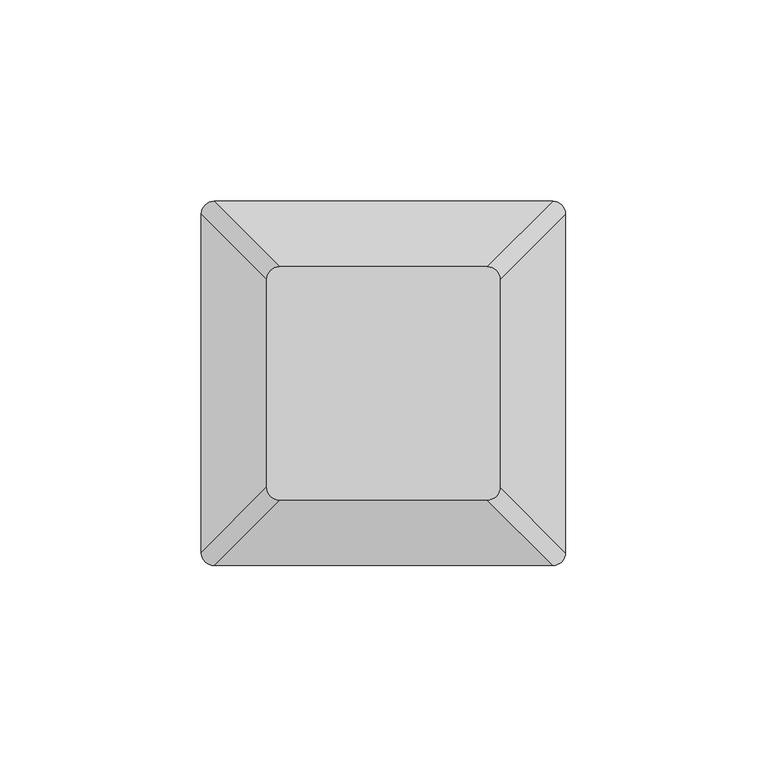
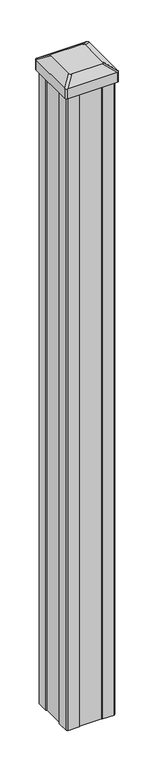
"""IFC4 building model written with IfcOpenShell, lengths in millimetres: railing geometry."""

import ifcopenshell
import ifcopenshell.guid

model = None  # the IFC model being written
_history = None  # IfcOwnerHistory: only IFC2X3 demands one
_inside = {}  # id of a spatial element -> (the spatial element, [elements in it])
_under = {}  # id of a project, library or spatial element -> (it, [spatial elements below it])
_declared = {}  # id of a project -> (the project, [libraries it declares])
_typed = {}  # id of a type object -> (the type object, [elements of that type])
_made_of = {}  # id of a material, layer set ... -> (it, [elements and type objects made of it])


def new_model(schema):
    """Start an empty IFC model of exactly this schema.

    Asked for "IFC4X3", IfcOpenShell would pick the latest addendum, in which some entities
    have other attributes; the version numbers below select the first issue.
    IFC2X3 requires an IfcOwnerHistory on every rooted entity: one is made here for all.
    """
    global model, _history
    if schema == "IFC4X3":
        model = ifcopenshell.file(schema_version=(4, 3, 0, 0))
    else:
        model = ifcopenshell.file(schema=schema)
    _inside.clear()
    _under.clear()
    _declared.clear()
    _typed.clear()
    _made_of.clear()
    _history = None
    if model.schema == "IFC2X3":
        org = make("IfcOrganization", Name="unknown")
        user = make(
            "IfcPersonAndOrganization",
            ThePerson=make("IfcPerson", FamilyName="unknown"),
            TheOrganization=org,
        )
        app = make(
            "IfcApplication",
            ApplicationDeveloper=org,
            Version="unknown",
            ApplicationFullName="unknown",
            ApplicationIdentifier="unknown",
        )
        _history = make(
            "IfcOwnerHistory",
            OwningUser=user,
            OwningApplication=app,
            ChangeAction="ADDED",
            CreationDate=0,
        )
    return model


def make(cls, **values):
    """One entity of the class cls with the attributes given. An attribute that is None is left unset."""
    return model.create_entity(
        cls, **{name: value for name, value in values.items() if value is not None}
    )


def rooted(cls, **values):
    """An entity with a GlobalId (a new one), such as an element, a storey or a relation."""
    return make(cls, GlobalId=ifcopenshell.guid.new(), OwnerHistory=_history, **values)


def si_unit(unit_type, name, prefix=None):
    """IfcSIUnit, for example si_unit("LENGTHUNIT", "METRE", prefix="MILLI")."""
    return make("IfcSIUnit", UnitType=unit_type, Prefix=prefix, Name=name)


def assignment(units):
    """IfcUnitAssignment: the units of a project."""
    return None if units is None else make("IfcUnitAssignment", Units=units)


def point(xyz):
    """IfcCartesianPoint."""
    return None if xyz is None else make("IfcCartesianPoint", Coordinates=xyz)


def direction(xyz):
    """IfcDirection."""
    return None if xyz is None else make("IfcDirection", DirectionRatios=xyz)


def frame(location, z_axis=None, x_axis=None):
    """IfcAxis2Placement3D, a coordinate frame: its origin and axes. An axis left out is left unset."""
    return make(
        "IfcAxis2Placement3D",
        Location=point(location),
        Axis=direction(z_axis),
        RefDirection=direction(x_axis),
    )


def frame_2d(location, x_axis=None):
    """IfcAxis2Placement2D, a coordinate frame in the plane: its origin and x axis."""
    return make(
        "IfcAxis2Placement2D", Location=point(location), RefDirection=direction(x_axis)
    )


def origin():
    """The frame at (0, 0, 0) with its axes left unset."""
    return frame((0.0, 0.0, 0.0))


def origin_with_axes():
    """The frame at (0, 0, 0) with the z axis (0, 0, 1) and the x axis (1, 0, 0) written out."""
    return frame((0.0, 0.0, 0.0), z_axis=(0.0, 0.0, 1.0), x_axis=(1.0, 0.0, 0.0))


def place(relative_to, where):
    """IfcLocalPlacement: puts the frame where relative to a parent placement (None: the world)."""
    return make(
        "IfcLocalPlacement", PlacementRelTo=relative_to, RelativePlacement=where
    )


def context(
    kind, dimensions, precision=None, world=None, true_north=None, identifier=None
):
    """IfcGeometricRepresentationContext, for example the 3D "Model" context."""
    return make(
        "IfcGeometricRepresentationContext",
        ContextIdentifier=identifier,
        ContextType=kind,
        CoordinateSpaceDimension=dimensions,
        Precision=precision,
        WorldCoordinateSystem=world,
        TrueNorth=true_north,
    )


def project(units=None, contexts=None):
    """IfcProject with its units and contexts."""
    return rooted(
        "IfcProject",
        Name="project",
        RepresentationContexts=contexts,
        UnitsInContext=assignment(units),
    )


def spatial(cls, under=None, at=None, **own):
    """A site, building, storey or space (cls), placed at a placement, below another one or the project."""
    s = rooted(cls, ObjectPlacement=at, **own)
    if under is not None:
        _under.setdefault(under.id(), (under, []))[1].append(s)
    return s


def polyline(points):
    """IfcPolyline through the points."""
    return make("IfcPolyline", Points=[point(p) for p in points])


def circle_curve(where, radius):
    """IfcCircle in the frame where."""
    return make("IfcCircle", Position=where, Radius=radius)


def trimmed(basis, trim1, trim2, sense, master):
    """IfcTrimmedCurve: the piece of a basis curve between two trims."""
    return make(
        "IfcTrimmedCurve",
        BasisCurve=basis,
        Trim1=trim1,
        Trim2=trim2,
        SenseAgreement=sense,
        MasterRepresentation=master,
    )


def segment(curve, same_sense, transition):
    """IfcCompositeCurveSegment."""
    return make(
        "IfcCompositeCurveSegment",
        Transition=transition,
        SameSense=same_sense,
        ParentCurve=curve,
    )


def composite_curve(segments, self_intersect=None):
    """IfcCompositeCurve: segments joined end to end."""
    return make("IfcCompositeCurve", Segments=segments, SelfIntersect=self_intersect)


def outline(outer, holes=None, kind="AREA"):
    """IfcArbitraryClosedProfileDef: a profile drawn as a closed curve; with holes, ...WithVoids."""
    if holes is None:
        return make("IfcArbitraryClosedProfileDef", ProfileType=kind, OuterCurve=outer)
    return make(
        "IfcArbitraryProfileDefWithVoids",
        ProfileType=kind,
        OuterCurve=outer,
        InnerCurves=holes,
    )


def extrude(swept, where, along, depth):
    """IfcExtrudedAreaSolid: the profile swept, set in the frame where, extruded along a direction by depth."""
    return make(
        "IfcExtrudedAreaSolid",
        SweptArea=swept,
        Position=where,
        ExtrudedDirection=direction(along),
        Depth=depth,
    )


def shape(context_of_items, identifier, shape_type, items):
    """IfcShapeRepresentation: the items that make up one representation, for example the "Body"."""
    return make(
        "IfcShapeRepresentation",
        ContextOfItems=context_of_items,
        RepresentationIdentifier=identifier,
        RepresentationType=shape_type,
        Items=items,
    )


def source(mapping_origin, context_of_items, identifier, shape_type, items):
    """IfcRepresentationMap: a shape defined once, which mapped items show again and again."""
    return make(
        "IfcRepresentationMap",
        MappingOrigin=mapping_origin,
        MappedRepresentation=shape(context_of_items, identifier, shape_type, items),
    )


def transform(
    local_origin,
    x_axis=None,
    y_axis=None,
    z_axis=None,
    scale=None,
    scale2=None,
    scale3=None,
    uniform=True,
):
    """IfcCartesianTransformationOperator3D, or its non-uniform kind. x_axis, y_axis, z_axis: its Axis1, 2, 3."""
    if uniform:
        return make(
            "IfcCartesianTransformationOperator3D",
            Axis1=direction(x_axis),
            Axis2=direction(y_axis),
            LocalOrigin=point(local_origin),
            Scale=scale,
            Axis3=direction(z_axis),
        )
    return make(
        "IfcCartesianTransformationOperator3DnonUniform",
        Axis1=direction(x_axis),
        Axis2=direction(y_axis),
        LocalOrigin=point(local_origin),
        Scale=scale,
        Axis3=direction(z_axis),
        Scale2=scale2,
        Scale3=scale3,
    )


def mapped(mapping_source, mapping_target):
    """IfcMappedItem: shows the shape of a source again, moved by a transform."""
    return make(
        "IfcMappedItem", MappingSource=mapping_source, MappingTarget=mapping_target
    )


def made_of(thing, what):
    """Note that an element or type object is made of a material, layer set ...; save() writes the relation."""
    if what is not None:
        _made_of.setdefault(what.id(), (what, []))[1].append(thing)
    return thing


def element(
    cls,
    number,
    at=None,
    inside=None,
    cuts=None,
    type_object=None,
    material=None,
    context=None,
    identifier="Body",
    shape_type=None,
    held_by="IfcProductDefinitionShape",
    body=None,
    shapes=None,
    **own,
):
    """One element of the class cls, such as IfcWall. Its Tag is "e" and its number.

    at: its placement. inside: the storey or other place that contains it. cuts: it is an
    opening in that element (IfcRelVoidsElement). A single representation is given by context,
    identifier, shape_type and body (its items); several are given by shapes. held_by: the class
    of the entity that holds the representations. save() writes the other relations.
    """
    e = rooted(cls, Tag="e%d" % number, ObjectPlacement=at, **own)
    if body is not None:
        shapes = [shape(context, identifier, shape_type, body)]
    if shapes is not None:
        e.Representation = make(held_by, Representations=shapes)
    if inside is not None:
        _inside.setdefault(inside.id(), (inside, []))[1].append(e)
    if cuts is not None:
        rooted(
            "IfcRelVoidsElement", RelatingBuildingElement=cuts, RelatedOpeningElement=e
        )
    if type_object is not None:
        _typed.setdefault(type_object.id(), (type_object, []))[1].append(e)
    return made_of(e, material)


def aggregate(whole, parts):
    """IfcRelAggregates: a whole, such as a stair, and the parts it consists of."""
    return rooted("IfcRelAggregates", RelatingObject=whole, RelatedObjects=parts)


def save(model, path):
    """Write the relations noted so far, then the file.

    IfcRelAggregates (storeys below a building ...), IfcRelContainedInSpatialStructure (elements
    in a storey), IfcRelDefinesByType, IfcRelAssociatesMaterial and IfcRelDeclares: one each for
    every whole, place, type object, material and project.
    """
    for whole, parts in _under.values():
        aggregate(whole, parts)
    for where, things in _inside.values():
        rooted(
            "IfcRelContainedInSpatialStructure",
            RelatedElements=things,
            RelatingStructure=where,
        )
    for kind, things in _typed.values():
        rooted("IfcRelDefinesByType", RelatedObjects=things, RelatingType=kind)
    for what, things in _made_of.values():
        rooted("IfcRelAssociatesMaterial", RelatedObjects=things, RelatingMaterial=what)
    for by, libraries in _declared.values():
        rooted("IfcRelDeclares", RelatingContext=by, RelatedDefinitions=libraries)
    model.write(path)


def plane_surface(at):
    """IfcPlane: the flat surface through the origin of the frame at, square to its z axis."""
    return make("IfcPlane", Position=at)


def extruded_surface(curve, direction_of_extrusion, depth):
    """IfcSurfaceOfLinearExtrusion: the curve pushed along a direction by depth."""
    return make(
        "IfcSurfaceOfLinearExtrusion",
        SweptCurve=make("IfcArbitraryOpenProfileDef", ProfileType="CURVE", Curve=curve),
        ExtrudedDirection=direction(direction_of_extrusion),
        Depth=depth,
    )


def advanced_brep(points, edges, surfaces, faces):
    """IfcAdvancedBrep: a solid bounded by faces that lie on surfaces and meet in shared edges.

    An edge is (start, end): straight between two places in points (the first is 0);
    or (start, end, curve); or (start, end, curve, False) where it runs against its curve.
    A face is (place in surfaces, loops), or (place, loops, False) where it looks against
    its surface's normal. A loop lists edges by number (the first is 1), with a minus sign
    where the edge is run from its end to its start. The first loop is the outer one.
    """
    corners = [point(p) for p in points]
    vertices = [make("IfcVertexPoint", VertexGeometry=c) for c in corners]
    made = []
    for start, end, *more in edges:
        made.append(
            make(
                "IfcEdgeCurve",
                EdgeStart=vertices[start],
                EdgeEnd=vertices[end],
                EdgeGeometry=more[0] if more else make("IfcPolyline", Points=[corners[start], corners[end]]),
                SameSense=more[1] if len(more) > 1 else True,
            )
        )
    hull = []
    for where, loops, *sense in faces:
        bounds = []
        for j, loop in enumerate(loops):
            ring = [make("IfcOrientedEdge", EdgeElement=made[abs(k) - 1], Orientation=k > 0) for k in loop]
            bounds.append(
                make(
                    "IfcFaceOuterBound" if j == 0 else "IfcFaceBound",
                    Bound=make("IfcEdgeLoop", EdgeList=ring),
                    Orientation=True,
                )
            )
        hull.append(make("IfcAdvancedFace", Bounds=bounds, FaceSurface=surfaces[where], SameSense=sense[0] if sense else True))
    return make("IfcAdvancedBrep", Outer=make("IfcClosedShell", CfsFaces=hull))


def railing_56c22d36(model_context):
    return source(origin(), model_context, "Body", "SolidModel", [
        advanced_brep(
        [(2141.7783168, -47834.6647718, 1165.225), (2193.3720668, -47834.6647718, 1165.225), (2196.5470668, -47831.4897718, 1165.225), (2196.5470668, -47779.8960218, 1165.225), (2193.3720668, -47776.7210218, 1165.225), (2141.7783168, -47776.7210218, 1165.225), (2138.6033168, -47779.8960218, 1165.225), (2138.6033168, -47831.4897718, 1165.225), (2125.5064418, -47850.9366468, 1153.922), (2122.3314418, -47847.7616468, 1153.922), (2122.3314418, -47763.6241468, 1153.922), (2125.5064418, -47760.4491468, 1153.922), (2209.6439418, -47760.4491468, 1153.922), (2212.8189418, -47763.6241468, 1153.922), (2212.8189418, -47847.7616468, 1153.922), (2209.6439418, -47850.9366468, 1153.922)],
        [
            (0, 1),
            (1, 2, circle_curve(frame((2193.3720668, -47831.4897718, 1165.225), z_axis=(0.0, 0.0, 1.0), x_axis=(0.0, 1.0, 0.0)), 3.175)),
            (2, 3),
            (3, 4, circle_curve(frame((2193.3720668, -47779.8960218, 1165.225), z_axis=(0.0, 0.0, 1.0), x_axis=(0.0, 1.0, 0.0)), 3.175)),
            (4, 5),
            (5, 6, circle_curve(frame((2141.7783168, -47779.8960218, 1165.225), z_axis=(0.0, 0.0, 1.0), x_axis=(0.0, 1.0, 0.0)), 3.175)),
            (6, 7),
            (7, 0, circle_curve(frame((2141.7783168, -47831.4897718, 1165.225), z_axis=(0.0, 0.0, 1.0), x_axis=(0.0, 1.0, 0.0)), 3.175)),
            (8, 9, circle_curve(frame((2125.5064418, -47847.7616468, 1153.922), z_axis=(0.0, 0.0, -1.0), x_axis=(0.0, 1.0, 0.0)), 3.175)),
            (9, 10),
            (10, 11, circle_curve(frame((2125.5064418, -47763.6241468, 1153.922), z_axis=(0.0, 0.0, -1.0), x_axis=(0.0, 1.0, 0.0)), 3.175)),
            (11, 12),
            (12, 13, circle_curve(frame((2209.6439418, -47763.6241468, 1153.922), z_axis=(0.0, 0.0, -1.0), x_axis=(0.0, 1.0, 0.0)), 3.175)),
            (13, 14),
            (14, 15, circle_curve(frame((2209.6439418, -47847.7616468, 1153.922), z_axis=(0.0, 0.0, -1.0), x_axis=(0.0, 1.0, 0.0)), 3.175)),
            (15, 8),
            (8, 0),
            (7, 9),
            (6, 10),
            (5, 11),
            (4, 12),
            (3, 13),
            (2, 14),
            (1, 15),
        ],
        [
            plane_surface(frame((2167.5751918, -47805.6928968, 1165.225), z_axis=(0.0, 0.0, 1.0), x_axis=(-1.0, 0.0, 0.0))),
            plane_surface(frame((2167.5751918, -47805.6928968, 1153.922), z_axis=(0.0, 0.0, -1.0), x_axis=(-1.0, 0.0, 0.0))),
            extruded_surface(trimmed(circle_curve(frame((2141.7783168, -47831.4897718, 1165.225), z_axis=(0.0, 0.0, -1.0), x_axis=(0.0, 1.0, 0.0)), 3.175), [point((2141.7783168, -47834.6647718, 1165.225))], [point((2138.6033168, -47831.4897718, 1165.225))], True, "CARTESIAN"), (-16.27187499999991, -16.271874999998545, -11.302999999999884), 25.63797263886513),
            plane_surface(frame((2122.3314418, -47805.6928968, 1153.922), z_axis=(-0.5705009161540777, 0.0, 0.8212969649690409), x_axis=(0.0, 1.0, 0.0))),
            extruded_surface(trimmed(circle_curve(frame((2141.7783168, -47779.8960218, 1165.225), z_axis=(0.0, 0.0, -1.0), x_axis=(0.0, 1.0, 0.0)), 3.175), [point((2138.6033168, -47779.8960218, 1165.225))], [point((2141.7783168, -47776.7210218, 1165.225))], True, "CARTESIAN"), (-16.27187499999991, 16.271874999998545, -11.302999999999884), 25.63797263886513),
            plane_surface(frame((2167.5751918, -47760.4491468, 1153.922), z_axis=(0.0, 0.5705009161540291, 0.8212969649690747), x_axis=(1.0, 0.0, 0.0))),
            extruded_surface(trimmed(circle_curve(frame((2193.3720668, -47779.8960218, 1165.225), z_axis=(0.0, 0.0, -1.0), x_axis=(0.0, 1.0, 0.0)), 3.175), [point((2193.3720668, -47776.7210218, 1165.225))], [point((2196.5470668, -47779.8960218, 1165.225))], True, "CARTESIAN"), (16.27187499999991, 16.271874999998545, -11.302999999999884), 25.63797263886513),
            plane_surface(frame((2212.8189418, -47805.6928968, 1153.922), z_axis=(0.5705009161540143, 0.0, 0.821296964969085), x_axis=(0.0, -1.0, 0.0))),
            extruded_surface(trimmed(circle_curve(frame((2193.3720668, -47831.4897718, 1165.225), z_axis=(0.0, 0.0, -1.0), x_axis=(0.0, 1.0, 0.0)), 3.175), [point((2196.5470668, -47831.4897718, 1165.225))], [point((2193.3720668, -47834.6647718, 1165.225))], True, "CARTESIAN"), (16.27187499999991, -16.271874999998545, -11.302999999999884), 25.63797263886513),
            plane_surface(frame((2167.5751918, -47850.9366468, 1153.922), z_axis=(0.0, -0.570500916154034, 0.8212969649690713), x_axis=(-1.0, 0.0, 0.0))),
        ],
        [
            (0, [[1, 2, 3, 4, 5, 6, 7, 8]]),
            (1, [[9, 10, 11, 12, 13, 14, 15, 16]]),
            (2, [[17, -8, 18, -9]]),
            (3, [[-18, -7, 19, -10]]),
            (4, [[-19, -6, 20, -11]]),
            (5, [[-20, -5, 21, -12]]),
            (6, [[-21, -4, 22, -13]]),
            (7, [[-22, -3, 23, -14]]),
            (8, [[-23, -2, 24, -15]]),
            (9, [[-24, -1, -17, -16]]),
        ],
    ),
        extrude(outline(composite_curve([segment(trimmed(circle_curve(frame_2d((2125.5064418, -47847.7616468)), 3.175), [point((2125.5064418, -47850.9366468))], [point((2122.3314418, -47847.7616468))], False, "CARTESIAN"), True, "CONTINUOUS"), segment(polyline([(2122.3314418, -47847.7616468), (2122.3314418, -47763.6241468)]), True, "CONTINUOUS"), segment(trimmed(circle_curve(frame_2d((2125.5064418, -47763.6241468)), 3.175), [point((2122.3314418, -47763.6241468))], [point((2125.5064418, -47760.4491468))], False, "CARTESIAN"), True, "CONTINUOUS"), segment(polyline([(2125.5064418, -47760.4491468), (2209.6439418, -47760.4491468)]), True, "CONTINUOUS"), segment(trimmed(circle_curve(frame_2d((2209.6439418, -47763.6241468)), 3.175), [point((2209.6439418, -47760.4491468))], [point((2212.8189418, -47763.6241468))], False, "CARTESIAN"), True, "CONTINUOUS"), segment(polyline([(2212.8189418, -47763.6241468), (2212.8189418, -47847.7616468)]), True, "CONTINUOUS"), segment(trimmed(circle_curve(frame_2d((2209.6439418, -47847.7616468)), 3.175), [point((2212.8189418, -47847.7616468))], [point((2209.6439418, -47850.9366468))], False, "CARTESIAN"), True, "CONTINUOUS"), segment(polyline([(2209.6439418, -47850.9366468), (2125.5064418, -47850.9366468)]), True, "CONTINUOUS")], self_intersect=False)), frame((0.0, 0.0, 1136.65), z_axis=(0.0, 0.0, 1.0), x_axis=(1.0, 0.0, 0.0)), (0.0, 0.0, 1.0), 17.272),
        extrude(outline(polyline([(2127.8876918, -47846.9678968), (2126.3001918, -47845.3803968), (2126.3001918, -47825.7588968), (2127.8876918, -47824.9968968), (2127.8876918, -47786.3888968), (2126.3001918, -47785.6268968), (2126.3001918, -47766.0053968), (2127.8876918, -47764.4178968), (2147.5091918, -47764.4178968), (2148.2711918, -47766.0053968), (2186.8791918, -47766.0053968), (2187.6411918, -47764.4178968), (2207.2626918, -47764.4178968), (2208.8501918, -47766.0053968), (2208.8501918, -47785.6268968), (2207.2626918, -47786.3888968), (2207.2626918, -47824.9968968), (2208.8501918, -47825.7588968), (2208.8501918, -47845.3803968), (2207.2626918, -47846.9678968), (2187.6411918, -47846.9678968), (2186.8791918, -47845.3803968), (2148.2711918, -47845.3803968), (2147.5091918, -47846.9678968), (2127.8876918, -47846.9678968)])), origin_with_axes(), (0.0, 0.0, 1.0), 1136.65),
    ])


if __name__ == "__main__":
    model = new_model("IFC4")
    model_context = context("Model", 3, world=origin())
    ifc_project = project(units=[si_unit("LENGTHUNIT", "METRE", prefix="MILLI")], contexts=[model_context])
    site = spatial("IfcSite", under=ifc_project)
    building = spatial("IfcBuilding", under=site)
    placement = place(None, origin())
    railing_shape = railing_56c22d36(model_context)
    element("IfcRailing", 1, at=placement, inside=building, context=model_context, shape_type="MappedRepresentation", body=[
        mapped(railing_shape, transform((0.0, 0.0, 0.0), x_axis=(1.0, 0.0, 0.0), y_axis=(0.0, 1.0, 0.0), z_axis=(0.0, 0.0, 1.0))),
    ])
    save(model, "model.ifc")
